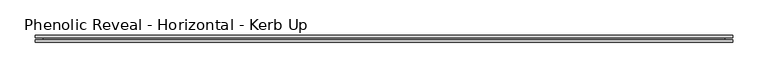
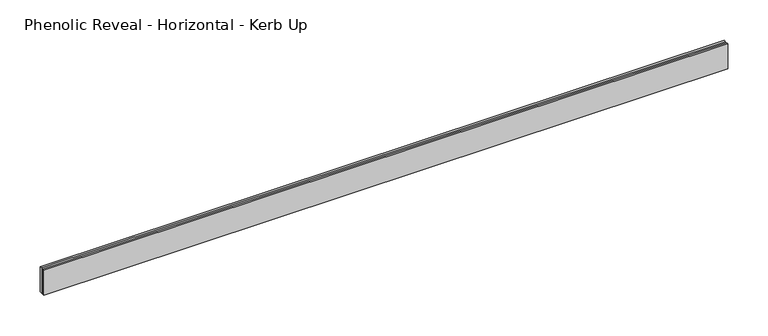
"""IFC4 building model written with IfcOpenShell, lengths in millimetres: proxy geometry, Phenolic Reveal - Horizontal - Kerb Up."""

from ifc_helpers import new_model, si_unit, origin, place, context, project, spatial, faceted_brep, source, transform, mapped, element, save


def phenolic_reveal_horizontal_kerb_up_26382794(model_context):
    return source(origin(), model_context, "Body", "Brep", [
        faceted_brep([(983.6546875, 9.525, 0.0), (983.6546875, 9.525, 38.1), (983.6546875, 6.0765851, 38.1), (983.6546875, 6.0765851, 0.0), (983.6546875, 3.3757545, 0.0), (983.6546875, 3.3757545, 38.1), (983.6546875, 0.0, 38.1), (983.6546875, 0.0, 0.0), (0.0, 0.0, 0.0), (0.0, 0.0, 38.1), (0.0, 3.3757545, 38.1), (0.0, 3.3757545, 0.0), (0.0, 6.0765851, 0.0), (0.0, 6.0765851, 38.1), (0.0, 9.525, 38.1), (0.0, 9.525, 0.0), (972.5421875, 6.0765851, 0.0), (972.5421875, 3.3757545, 0.0), (11.1125, 3.3757545, 0.0), (11.1125, 6.0765851, 0.0), (972.5421875, 6.0765851, 26.9875), (972.5421875, 3.3757545, 26.9875), (11.1125, 6.0765851, 26.9875), (11.1125, 3.3757545, 26.9875)], [[[0, 1, 2, 3]], [[4, 5, 6, 7]], [[8, 9, 10, 11]], [[12, 13, 14, 15]], [[1, 0, 15, 14]], [[6, 5, 10, 9]], [[7, 6, 9, 8]], [[15, 0, 3, 16, 17, 4, 7, 8, 11, 18, 19, 12]], [[16, 20, 21, 17]], [[22, 19, 18, 23]], [[13, 2, 1, 14]], [[12, 19, 22, 20, 16, 3, 2, 13]], [[20, 22, 23, 21]], [[4, 17, 21, 23, 18, 11, 10, 5]]]),
    ])


if __name__ == "__main__":
    model = new_model("IFC4")
    model_context = context("Model", 3, world=origin())
    ifc_project = project(units=[si_unit("LENGTHUNIT", "METRE", prefix="MILLI")], contexts=[model_context])
    site = spatial("IfcSite", under=ifc_project)
    building = spatial("IfcBuilding", under=site)
    placement = place(None, origin())
    phenolic_reveal_horizontal_kerb_up_shape = phenolic_reveal_horizontal_kerb_up_26382794(model_context)
    element("IfcBuildingElementProxy", 1, Name="Phenolic Reveal - Horizontal - Kerb Up", ObjectType="Phenolic Reveal - Horizontal - Kerb Up", at=placement, inside=building, context=model_context, shape_type="MappedRepresentation", body=[
        mapped(phenolic_reveal_horizontal_kerb_up_shape, transform((0.0, 0.0, 0.0), x_axis=(1.0, 0.0, 0.0), y_axis=(0.0, 1.0, 0.0), z_axis=(0.0, 0.0, 1.0))),
    ])
    save(model, "model.ifc")
